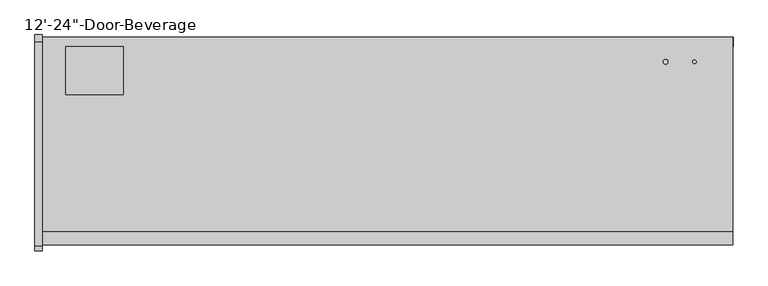
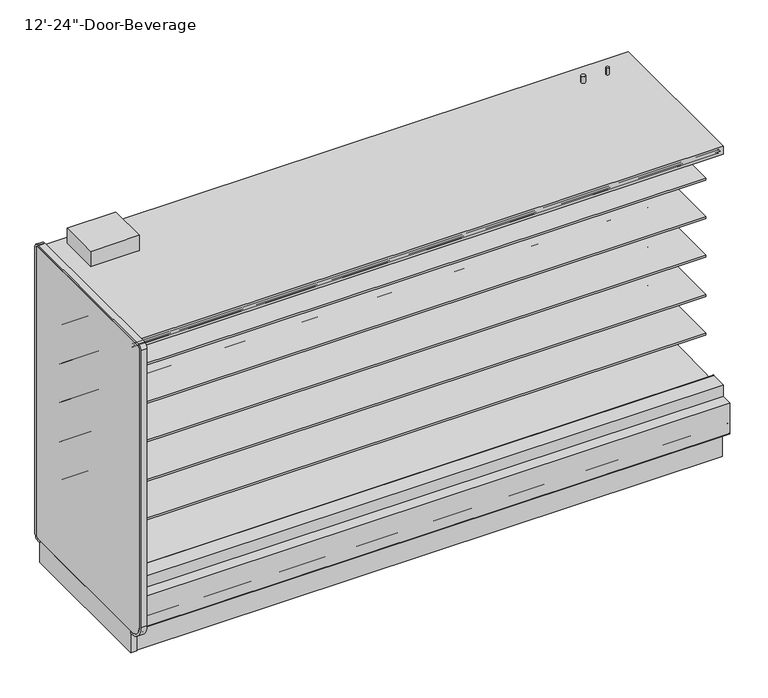
"""IFC4 building model written with IfcOpenShell, lengths in millimetres: proxy geometry."""

from ifc_helpers import new_model, si_unit, point, frame, frame_2d, origin, origin_with_axes, place, context, project, spatial, polyline, circle_curve, trimmed, segment, composite_curve, outline, extrude, faceted_brep, source, transform, mapped, element, save
from ifc_brep_helpers import plane_surface, revolved_surface, advanced_brep


def proxy_9be0f654(model_context):
    return source(origin(), model_context, "Body", "SolidModel", [
        extrude(outline(polyline([(-450.677044, 418.2554484), (-450.677044, 1911.8336138), (-349.0071273, 1911.8336138), (-349.0071273, 477.974025), (-399.1724764, 477.974025), (-399.1724764, 418.2554484), (-450.677044, 418.2554484)])), frame((3633.442754, 0.0, 0.0), z_axis=(1.0, 0.0, 0.0), x_axis=(0.0, 1.0, 0.0)), (0.0, 0.0, 1.0), 25.4),
        extrude(outline(polyline([(-450.677044, 418.2554484), (-450.677044, 1911.8336138), (-349.0071273, 1911.8336138), (-349.0071273, 477.974025), (-399.1724764, 477.974025), (-399.1724764, 418.2554484), (-450.677044, 418.2554484)])), frame((2439.642754, 0.0, 0.0), z_axis=(1.0, 0.0, 0.0), x_axis=(0.0, 1.0, 0.0)), (0.0, 0.0, 1.0), 25.4),
        extrude(outline(polyline([(3607.6325795, -332.5539022), (3607.6325795, -339.9912264), (3047.2450795, -339.9912264), (3047.2450795, -332.5539022), (3607.6325795, -332.5539022)])), frame((0.0, 0.0, 472.0341995), z_axis=(0.0, 0.0, 1.0), x_axis=(1.0, 0.0, 0.0)), (0.0, 0.0, 1.0), 1479.0767398),
        extrude(outline(polyline([(3051.2404285, -314.5912264), (3051.2404285, -322.0285506), (2492.4404285, -322.0285506), (2492.4404285, -314.5912264), (3051.2404285, -314.5912264)])), frame((0.0, 0.0, 472.0341995), z_axis=(0.0, 0.0, 1.0), x_axis=(1.0, 0.0, 0.0)), (0.0, 0.0, 1.0), 1479.0767398),
        faceted_brep([(2516.6367929, -339.9912264, 497.8180639), (2516.6367929, -349.0071273, 497.8180639), (3581.8487151, -349.0071273, 497.8180639), (3581.8487151, -339.9912264, 497.8180639), (2490.8529285, -332.5539022, 472.0341995), (2490.8529285, -339.9912264, 472.0341995), (3607.6325795, -339.9912264, 472.0341995), (3607.6325795, -332.5539022, 472.0341995), (2500.7809618, -322.0285506, 481.9622328), (2500.7809618, -332.5539022, 481.9622328), (3597.7045462, -332.5539022, 481.9622328), (3597.7045462, -322.0285506, 481.9622328), (2490.8529285, -314.5912264, 472.0341995), (2490.8529285, -322.0285506, 472.0341995), (3607.6325795, -322.0285506, 472.0341995), (3607.6325795, -314.5912264, 472.0341995), (2516.6367929, -298.2071273, 497.8180639), (2516.6367929, -314.5912264, 497.8180639), (3581.8487151, -314.5912264, 497.8180639), (3581.8487151, -298.2071273, 497.8180639), (2439.021377, -349.0071273, 420.202648), (2439.021377, -298.2071273, 420.202648), (3659.464131, -298.2071273, 420.202648), (3659.464131, -349.0071273, 420.202648), (3581.8487151, -349.0071273, 1925.3270748), (3581.8487151, -339.9912264, 1925.3270748), (3607.6325795, -339.9912264, 1951.1109393), (3607.6325795, -332.5539022, 1951.1109393), (3597.7045462, -332.5539022, 1941.1829059), (3597.7045462, -322.0285506, 1941.1829059), (3607.6325795, -322.0285506, 1951.1109393), (3607.6325795, -314.5912264, 1951.1109393), (3581.8487151, -314.5912264, 1925.3270748), (3581.8487151, -298.2071273, 1925.3270748), (3659.464131, -298.2071273, 2002.9424908), (3659.464131, -349.0071273, 2002.9424908), (2516.6367929, -349.0071273, 1925.3270748), (2516.6367929, -339.9912264, 1925.3270748), (2490.8529285, -339.9912264, 1951.1109393), (2490.8529285, -332.5539022, 1951.1109393), (2500.7809618, -332.5539022, 1941.1829059), (2500.7809618, -322.0285506, 1941.1829059), (2490.8529285, -322.0285506, 1951.1109393), (2490.8529285, -314.5912264, 1951.1109393), (2516.6367929, -314.5912264, 1925.3270748), (2516.6367929, -298.2071273, 1925.3270748), (2439.021377, -298.2071273, 2002.9424908), (2439.021377, -349.0071273, 2002.9424908)], [[[0, 1, 2, 3]], [[4, 5, 6, 7]], [[8, 9, 10, 11]], [[12, 13, 14, 15]], [[16, 17, 18, 19]], [[20, 21, 22, 23]], [[3, 2, 24, 25]], [[7, 6, 26, 27]], [[11, 10, 28, 29]], [[15, 14, 30, 31]], [[19, 18, 32, 33]], [[23, 22, 34, 35]], [[25, 24, 36, 37]], [[27, 26, 38, 39]], [[29, 28, 40, 41]], [[31, 30, 42, 43]], [[33, 32, 44, 45]], [[35, 34, 46, 47]], [[23, 35, 47, 20], [1, 36, 24, 2]], [[37, 36, 1, 0]], [[5, 38, 26, 6], [3, 25, 37, 0]], [[39, 38, 5, 4]], [[7, 27, 39, 4], [9, 40, 28, 10]], [[41, 40, 9, 8]], [[13, 42, 30, 14], [11, 29, 41, 8]], [[43, 42, 13, 12]], [[15, 31, 43, 12], [17, 44, 32, 18]], [[45, 44, 17, 16]], [[21, 46, 34, 22], [19, 33, 45, 16]], [[47, 46, 21, 20]]]),
        extrude(outline(polyline([(-450.677044, 418.2554484), (-450.677044, 1911.8336138), (-349.0071273, 1911.8336138), (-349.0071273, 477.974025), (-399.1724764, 477.974025), (-399.1724764, 418.2554484), (-450.677044, 418.2554484)])), frame((1192.557246, 0.0, 0.0), z_axis=(1.0, 0.0, 0.0), x_axis=(0.0, 1.0, 0.0)), (0.0, 0.0, 1.0), 25.4),
        extrude(outline(polyline([(-450.677044, 418.2554484), (-450.677044, 1911.8336138), (-349.0071273, 1911.8336138), (-349.0071273, 477.974025), (-399.1724764, 477.974025), (-399.1724764, 418.2554484), (-450.677044, 418.2554484)])), frame((-1.242754, 0.0, 0.0), z_axis=(1.0, 0.0, 0.0), x_axis=(0.0, 1.0, 0.0)), (0.0, 0.0, 1.0), 25.4),
        extrude(outline(polyline([(1166.7470715, -332.5539022), (1166.7470715, -339.9912264), (606.3595715, -339.9912264), (606.3595715, -332.5539022), (1166.7470715, -332.5539022)])), frame((0.0, 0.0, 472.0341995), z_axis=(0.0, 0.0, 1.0), x_axis=(1.0, 0.0, 0.0)), (0.0, 0.0, 1.0), 1479.0767398),
        extrude(outline(polyline([(610.3549205, -314.5912264), (610.3549205, -322.0285506), (51.5549205, -322.0285506), (51.5549205, -314.5912264), (610.3549205, -314.5912264)])), frame((0.0, 0.0, 472.0341995), z_axis=(0.0, 0.0, 1.0), x_axis=(1.0, 0.0, 0.0)), (0.0, 0.0, 1.0), 1479.0767398),
        faceted_brep([(75.7512849, -339.9912264, 497.8180639), (75.7512849, -349.0071273, 497.8180639), (1140.9632071, -349.0071273, 497.8180639), (1140.9632071, -339.9912264, 497.8180639), (49.9674205, -332.5539022, 472.0341995), (49.9674205, -339.9912264, 472.0341995), (1166.7470715, -339.9912264, 472.0341995), (1166.7470715, -332.5539022, 472.0341995), (59.8954538, -322.0285506, 481.9622328), (59.8954538, -332.5539022, 481.9622328), (1156.8190382, -332.5539022, 481.9622328), (1156.8190382, -322.0285506, 481.9622328), (49.9674205, -314.5912264, 472.0341995), (49.9674205, -322.0285506, 472.0341995), (1166.7470715, -322.0285506, 472.0341995), (1166.7470715, -314.5912264, 472.0341995), (75.7512849, -298.2071273, 497.8180639), (75.7512849, -314.5912264, 497.8180639), (1140.9632071, -314.5912264, 497.8180639), (1140.9632071, -298.2071273, 497.8180639), (-1.864131, -349.0071273, 420.202648), (-1.864131, -298.2071273, 420.202648), (1218.578623, -298.2071273, 420.202648), (1218.578623, -349.0071273, 420.202648), (1140.9632071, -349.0071273, 1925.3270748), (1140.9632071, -339.9912264, 1925.3270748), (1166.7470715, -339.9912264, 1951.1109393), (1166.7470715, -332.5539022, 1951.1109393), (1156.8190382, -332.5539022, 1941.1829059), (1156.8190382, -322.0285506, 1941.1829059), (1166.7470715, -322.0285506, 1951.1109393), (1166.7470715, -314.5912264, 1951.1109393), (1140.9632071, -314.5912264, 1925.3270748), (1140.9632071, -298.2071273, 1925.3270748), (1218.578623, -298.2071273, 2002.9424908), (1218.578623, -349.0071273, 2002.9424908), (75.7512849, -349.0071273, 1925.3270748), (75.7512849, -339.9912264, 1925.3270748), (49.9674205, -339.9912264, 1951.1109393), (49.9674205, -332.5539022, 1951.1109393), (59.8954538, -332.5539022, 1941.1829059), (59.8954538, -322.0285506, 1941.1829059), (49.9674205, -322.0285506, 1951.1109393), (49.9674205, -314.5912264, 1951.1109393), (75.7512849, -314.5912264, 1925.3270748), (75.7512849, -298.2071273, 1925.3270748), (-1.864131, -298.2071273, 2002.9424908), (-1.864131, -349.0071273, 2002.9424908)], [[[0, 1, 2, 3]], [[4, 5, 6, 7]], [[8, 9, 10, 11]], [[12, 13, 14, 15]], [[16, 17, 18, 19]], [[20, 21, 22, 23]], [[3, 2, 24, 25]], [[7, 6, 26, 27]], [[11, 10, 28, 29]], [[15, 14, 30, 31]], [[19, 18, 32, 33]], [[23, 22, 34, 35]], [[25, 24, 36, 37]], [[27, 26, 38, 39]], [[29, 28, 40, 41]], [[31, 30, 42, 43]], [[33, 32, 44, 45]], [[35, 34, 46, 47]], [[23, 35, 47, 20], [1, 36, 24, 2]], [[37, 36, 1, 0]], [[5, 38, 26, 6], [3, 25, 37, 0]], [[39, 38, 5, 4]], [[7, 27, 39, 4], [9, 40, 28, 10]], [[41, 40, 9, 8]], [[13, 42, 30, 14], [11, 29, 41, 8]], [[43, 42, 13, 12]], [[15, 31, 43, 12], [17, 44, 32, 18]], [[45, 44, 17, 16]], [[21, 46, 34, 22], [19, 33, 45, 16]], [[47, 46, 21, 20]]]),
        extrude(outline(polyline([(-450.677044, 418.2554484), (-450.677044, 1911.8336138), (-349.0071273, 1911.8336138), (-349.0071273, 477.974025), (-399.1724764, 477.974025), (-399.1724764, 418.2554484), (-450.677044, 418.2554484)])), frame((2413.0, 0.0, 0.0), z_axis=(1.0, 0.0, 0.0), x_axis=(0.0, 1.0, 0.0)), (0.0, 0.0, 1.0), 25.4),
        extrude(outline(polyline([(-450.677044, 418.2554484), (-450.677044, 1911.8336138), (-349.0071273, 1911.8336138), (-349.0071273, 477.974025), (-399.1724764, 477.974025), (-399.1724764, 418.2554484), (-450.677044, 418.2554484)])), frame((1219.2, 0.0, 0.0), z_axis=(1.0, 0.0, 0.0), x_axis=(0.0, 1.0, 0.0)), (0.0, 0.0, 1.0), 25.4),
        extrude(outline(polyline([(2387.1898255, -332.5539022), (2387.1898255, -339.9912264), (1826.8023255, -339.9912264), (1826.8023255, -332.5539022), (2387.1898255, -332.5539022)])), frame((0.0, 0.0, 472.0341995), z_axis=(0.0, 0.0, 1.0), x_axis=(1.0, 0.0, 0.0)), (0.0, 0.0, 1.0), 1479.0767398),
        extrude(outline(polyline([(1830.7976745, -314.5912264), (1830.7976745, -322.0285506), (1271.9976745, -322.0285506), (1271.9976745, -314.5912264), (1830.7976745, -314.5912264)])), frame((0.0, 0.0, 472.0341995), z_axis=(0.0, 0.0, 1.0), x_axis=(1.0, 0.0, 0.0)), (0.0, 0.0, 1.0), 1479.0767398),
        faceted_brep([(1296.1940389, -339.9912264, 497.8180639), (1296.1940389, -349.0071273, 497.8180639), (2361.4059611, -349.0071273, 497.8180639), (2361.4059611, -339.9912264, 497.8180639), (1270.4101745, -332.5539022, 472.0341995), (1270.4101745, -339.9912264, 472.0341995), (2387.1898255, -339.9912264, 472.0341995), (2387.1898255, -332.5539022, 472.0341995), (1280.3382078, -322.0285506, 481.9622328), (1280.3382078, -332.5539022, 481.9622328), (2377.2617922, -332.5539022, 481.9622328), (2377.2617922, -322.0285506, 481.9622328), (1270.4101745, -314.5912264, 472.0341995), (1270.4101745, -322.0285506, 472.0341995), (2387.1898255, -322.0285506, 472.0341995), (2387.1898255, -314.5912264, 472.0341995), (1296.1940389, -298.2071273, 497.8180639), (1296.1940389, -314.5912264, 497.8180639), (2361.4059611, -314.5912264, 497.8180639), (2361.4059611, -298.2071273, 497.8180639), (1218.578623, -349.0071273, 420.202648), (1218.578623, -298.2071273, 420.202648), (2439.021377, -298.2071273, 420.202648), (2439.021377, -349.0071273, 420.202648), (2361.4059611, -349.0071273, 1925.3270748), (2361.4059611, -339.9912264, 1925.3270748), (2387.1898255, -339.9912264, 1951.1109393), (2387.1898255, -332.5539022, 1951.1109393), (2377.2617922, -332.5539022, 1941.1829059), (2377.2617922, -322.0285506, 1941.1829059), (2387.1898255, -322.0285506, 1951.1109393), (2387.1898255, -314.5912264, 1951.1109393), (2361.4059611, -314.5912264, 1925.3270748), (2361.4059611, -298.2071273, 1925.3270748), (2439.021377, -298.2071273, 2002.9424908), (2439.021377, -349.0071273, 2002.9424908), (1296.1940389, -349.0071273, 1925.3270748), (1296.1940389, -339.9912264, 1925.3270748), (1270.4101745, -339.9912264, 1951.1109393), (1270.4101745, -332.5539022, 1951.1109393), (1280.3382078, -332.5539022, 1941.1829059), (1280.3382078, -322.0285506, 1941.1829059), (1270.4101745, -322.0285506, 1951.1109393), (1270.4101745, -314.5912264, 1951.1109393), (1296.1940389, -314.5912264, 1925.3270748), (1296.1940389, -298.2071273, 1925.3270748), (1218.578623, -298.2071273, 2002.9424908), (1218.578623, -349.0071273, 2002.9424908)], [[[0, 1, 2, 3]], [[4, 5, 6, 7]], [[8, 9, 10, 11]], [[12, 13, 14, 15]], [[16, 17, 18, 19]], [[20, 21, 22, 23]], [[3, 2, 24, 25]], [[7, 6, 26, 27]], [[11, 10, 28, 29]], [[15, 14, 30, 31]], [[19, 18, 32, 33]], [[23, 22, 34, 35]], [[25, 24, 36, 37]], [[27, 26, 38, 39]], [[29, 28, 40, 41]], [[31, 30, 42, 43]], [[33, 32, 44, 45]], [[35, 34, 46, 47]], [[23, 35, 47, 20], [1, 36, 24, 2]], [[37, 36, 1, 0]], [[5, 38, 26, 6], [3, 25, 37, 0]], [[39, 38, 5, 4]], [[7, 27, 39, 4], [9, 40, 28, 10]], [[41, 40, 9, 8]], [[13, 42, 30, 14], [11, 29, 41, 8]], [[43, 42, 13, 12]], [[15, 31, 43, 12], [17, 44, 32, 18]], [[45, 44, 17, 16]], [[21, 46, 34, 22], [19, 33, 45, 16]], [[47, 46, 21, 20]]]),
        extrude(outline(composite_curve([segment(polyline([(-450.677044, 1628.6799003), (-460.4297959, 1628.4899734)]), True, "CONTINUOUS"), segment(trimmed(circle_curve(frame_2d((-460.9177416, 1653.5460013)), 25.0607786), [point((-460.4297959, 1628.4899734))], [point((-476.8250642, 1634.1810921))], False, "CARTESIAN"), True, "CONTINUOUS"), segment(polyline([(-476.8250642, 1634.1810921), (-515.0467648, 1665.2643606)]), True, "CONTINUOUS"), segment(trimmed(circle_curve(frame_2d((-555.1112379, 1615.9988758)), 63.5), [point((-515.0467648, 1665.2643606))], [point((-548.2582285, 1679.1279996))], True, "CARTESIAN"), True, "CONTINUOUS"), segment(polyline([(-548.2582285, 1679.1279996), (-1024.1909018, 1708.3968492), (-1024.1909018, 1716.0228161), (-1136.477044, 1716.0228161), (-1136.477044, 1729.5165661), (-450.677044, 1729.5165661), (-450.677044, 1628.6799003)]), True, "CONTINUOUS")], self_intersect=False)), frame((0.0, 0.0, 0.0), z_axis=(1.0, 0.0, 0.0), x_axis=(0.0, 1.0, 0.0)), (0.0, 0.0, 1.0), 3657.6),
        extrude(outline(composite_curve([segment(polyline([(-450.677044, 606.808004), (-461.7849362, 606.5916869)]), True, "CONTINUOUS"), segment(trimmed(circle_curve(frame_2d((-462.2728819, 631.6477147)), 25.0607786), [point((-461.7849362, 606.5916869))], [point((-478.1802045, 612.2828055))], False, "CARTESIAN"), True, "CONTINUOUS"), segment(polyline([(-478.1802045, 612.2828055), (-516.4019051, 643.3660741)]), True, "CONTINUOUS"), segment(trimmed(circle_curve(frame_2d((-556.4663782, 594.1005893)), 63.5), [point((-516.4019051, 643.3660741))], [point((-549.6133688, 657.229713))], True, "CARTESIAN"), True, "CONTINUOUS"), segment(polyline([(-549.6133688, 657.229713), (-1025.5460421, 686.4985627), (-1025.5460421, 694.1245295), (-1136.477044, 694.1245295), (-1136.477044, 707.6182795), (-450.677044, 707.6182795), (-450.677044, 606.808004)]), True, "CONTINUOUS")], self_intersect=False)), frame((0.0, 0.0, 0.0), z_axis=(1.0, 0.0, 0.0), x_axis=(0.0, 1.0, 0.0)), (0.0, 0.0, 1.0), 3657.6),
        extrude(outline(composite_curve([segment(polyline([(-450.677044, 860.808004), (-461.7849362, 860.5916869)]), True, "CONTINUOUS"), segment(trimmed(circle_curve(frame_2d((-462.2728819, 885.6477147)), 25.0607786), [point((-461.7849362, 860.5916869))], [point((-478.1802045, 866.2828055))], False, "CARTESIAN"), True, "CONTINUOUS"), segment(polyline([(-478.1802045, 866.2828055), (-516.4019051, 897.3660741)]), True, "CONTINUOUS"), segment(trimmed(circle_curve(frame_2d((-556.4663782, 848.1005893)), 63.5), [point((-516.4019051, 897.3660741))], [point((-549.6133688, 911.229713))], True, "CARTESIAN"), True, "CONTINUOUS"), segment(polyline([(-549.6133688, 911.229713), (-1025.5460421, 940.4985627), (-1025.5460421, 948.1245295), (-1136.477044, 948.1245295), (-1136.477044, 961.6182795), (-450.677044, 961.6182795), (-450.677044, 860.808004)]), True, "CONTINUOUS")], self_intersect=False)), frame((0.0, 0.0, 0.0), z_axis=(1.0, 0.0, 0.0), x_axis=(0.0, 1.0, 0.0)), (0.0, 0.0, 1.0), 3657.6),
        extrude(outline(composite_curve([segment(polyline([(-450.677044, 1121.158004), (-461.7849362, 1120.9416869)]), True, "CONTINUOUS"), segment(trimmed(circle_curve(frame_2d((-462.2728819, 1145.9977147)), 25.0607786), [point((-461.7849362, 1120.9416869))], [point((-478.1802045, 1126.6328055))], False, "CARTESIAN"), True, "CONTINUOUS"), segment(polyline([(-478.1802045, 1126.6328055), (-516.4019051, 1157.7160741)]), True, "CONTINUOUS"), segment(trimmed(circle_curve(frame_2d((-556.4663782, 1108.4505893)), 63.5), [point((-516.4019051, 1157.7160741))], [point((-549.6133688, 1171.579713))], True, "CARTESIAN"), True, "CONTINUOUS"), segment(polyline([(-549.6133688, 1171.579713), (-1025.5460421, 1200.8485627), (-1025.5460421, 1208.4745295), (-1136.477044, 1208.4745295), (-1136.477044, 1221.9682795), (-450.677044, 1221.9682795), (-450.677044, 1121.158004)]), True, "CONTINUOUS")], self_intersect=False)), frame((0.0, 0.0, 0.0), z_axis=(1.0, 0.0, 0.0), x_axis=(0.0, 1.0, 0.0)), (0.0, 0.0, 1.0), 3657.6),
        extrude(outline(composite_curve([segment(polyline([(-450.677044, 1375.158004), (-461.7849362, 1374.9416869)]), True, "CONTINUOUS"), segment(trimmed(circle_curve(frame_2d((-462.2728819, 1399.9977147)), 25.0607786), [point((-461.7849362, 1374.9416869))], [point((-478.1802045, 1380.6328055))], False, "CARTESIAN"), True, "CONTINUOUS"), segment(polyline([(-478.1802045, 1380.6328055), (-516.4019051, 1411.7160741)]), True, "CONTINUOUS"), segment(trimmed(circle_curve(frame_2d((-556.4663782, 1362.4505893)), 63.5), [point((-516.4019051, 1411.7160741))], [point((-549.6133688, 1425.579713))], True, "CARTESIAN"), True, "CONTINUOUS"), segment(polyline([(-549.6133688, 1425.579713), (-1025.5460421, 1454.8485627), (-1025.5460421, 1462.4745295), (-1136.477044, 1462.4745295), (-1136.477044, 1475.9682795), (-450.677044, 1475.9682795), (-450.677044, 1375.158004)]), True, "CONTINUOUS")], self_intersect=False)), frame((0.0, 0.0, 0.0), z_axis=(1.0, 0.0, 0.0), x_axis=(0.0, 1.0, 0.0)), (0.0, 0.0, 1.0), 3657.6),
        extrude(outline(polyline([(0.0, -76.1999999), (0.0, 0.0), (3657.6, 0.0), (3657.6, -76.1999999), (0.0, -76.1999999)])), frame((3657.6, -1261.1580888, 1976.4637108), z_axis=(0.0, 0.12186934340514825, 0.992546151641322), x_axis=(-1.0, 0.0, 0.0)), (0.0, 0.0, 1.0), 12.7),
        extrude(outline(polyline([(-1304.2914467, 0.0), (-1317.3821273, 0.0), (-1317.3821273, 203.9791746), (-1304.2914467, 192.9947894), (-1304.2914467, 0.0)])), frame((0.0, 0.0, 0.0), z_axis=(1.0, 0.0, 0.0), x_axis=(0.0, 1.0, 0.0)), (0.0, 0.0, 1.0), 3657.6),
        advanced_brep(
        [(3657.6, -349.0071273, 130.5306), (3657.6, -349.0071273, 2002.9424908), (3657.6, -298.2071273, 2002.9424908), (3657.6, -298.2071273, 2057.4), (3657.6, -1328.759197, 2057.4), (3657.6, -1328.759197, 2005.9326079), (3657.6, -399.1724764, 2005.9326079), (3657.6, -399.1724764, 360.5272264), (3657.6, -539.0439073, 214.6079754), (3657.6, -995.8281408, 195.2666415), (3657.6, -1047.2594341, 157.9054484), (3657.6, -1114.0496149, 157.9054484), (3657.6, -1172.185644, 190.034038), (3657.6, -1328.4651974, 339.4494287), (3657.6, -1328.4651974, 393.4200242), (3657.6, -1380.3487273, 393.4200242), (3657.6, -1380.3487273, 256.8144254), (3657.6, -1229.8495247, 130.5306), (0.0, -349.0071273, 130.5306), (0.0, -1229.8495247, 130.5306), (0.0, -1380.3487273, 256.8144254), (0.0, -1380.3487273, 393.4200242), (0.0, -1328.4651974, 393.4200242), (0.0, -1328.4651974, 339.4494287), (0.0, -1172.185644, 190.034038), (0.0, -1114.0496149, 157.9054484), (0.0, -1047.2594341, 157.9054484), (0.0, -995.8281408, 195.2666415), (0.0, -539.0439073, 214.6079754), (0.0, -399.1724764, 360.5272264), (0.0, -399.1724764, 2005.9326079), (0.0, -1328.759197, 2005.9326079), (0.0, -1328.759197, 2057.4), (0.0, -298.2071273, 2057.4), (0.0, -298.2071273, 2002.9424908), (0.0, -349.0071273, 2002.9424908), (3556.0, -349.0071273, 303.2125), (3556.0, -349.0071273, 404.8125), (3556.0, -390.6253644, 303.2125), (3556.0, -390.6253644, 404.8125)],
        [
            (0, 1),
            (1, 2),
            (2, 3),
            (3, 4),
            (4, 5),
            (5, 6),
            (6, 7),
            (7, 8, circle_curve(frame((3657.6, -545.2224764, 360.5272264), z_axis=(-1.0, 0.0, 0.0), x_axis=(0.0, 1.0, 0.0)), 146.05)),
            (8, 9),
            (9, 10),
            (10, 11),
            (11, 12),
            (12, 13, circle_curve(frame((3657.6, -1177.4681139, 340.9461144), z_axis=(-1.0, 0.0, 0.0), x_axis=(0.0, 1.0, 0.0)), 151.0045009)),
            (13, 14),
            (14, 15),
            (15, 16),
            (16, 17),
            (17, 0),
            (18, 19),
            (19, 20),
            (20, 21),
            (21, 22),
            (22, 23),
            (23, 24, circle_curve(frame((0.0, -1177.4681139, 340.9461144), z_axis=(1.0, 0.0, 0.0), x_axis=(0.0, 1.0, 0.0)), 151.0045009)),
            (24, 25),
            (25, 26),
            (26, 27),
            (27, 28),
            (28, 29, circle_curve(frame((0.0, -545.2224764, 360.5272264), z_axis=(1.0, 0.0, 0.0), x_axis=(0.0, 1.0, 0.0)), 146.05)),
            (29, 30),
            (30, 31),
            (31, 32),
            (32, 33),
            (33, 34),
            (34, 35),
            (35, 18),
            (0, 18),
            (35, 1),
            (36, 37, circle_curve(frame((3556.0, -349.0071273, 354.0125), z_axis=(0.0, -1.0, 0.0), x_axis=(0.0, 0.0, 1.0)), 50.8)),
            (37, 36, circle_curve(frame((3556.0, -349.0071273, 354.0125), z_axis=(0.0, -1.0, 0.0), x_axis=(0.0, 0.0, 1.0)), 50.8)),
            (6, 30),
            (29, 7),
            (13, 23),
            (22, 14),
            (21, 15),
            (20, 16),
            (19, 17),
            (38, 39, circle_curve(frame((3556.0, -390.6253644, 354.0125), z_axis=(0.0, 1.0, 0.0), x_axis=(0.0, 0.0, 1.0)), 50.8)),
            (39, 38, circle_curve(frame((3556.0, -390.6253644, 354.0125), z_axis=(0.0, 1.0, 0.0), x_axis=(0.0, 0.0, 1.0)), 50.8)),
            (39, 37),
            (36, 38),
            (8, 28),
            (27, 9),
            (26, 10),
            (25, 11),
            (24, 12),
            (34, 2),
            (33, 3),
            (32, 4),
            (31, 5),
        ],
        [
            plane_surface(frame((3657.6, -349.0071273, 2052.7067079), z_axis=(1.0, 0.0, 0.0), x_axis=(0.0, 0.0, 1.0))),
            plane_surface(frame((0.0, -349.0071273, 2052.7067079), z_axis=(-1.0, 0.0, 0.0), x_axis=(0.0, 0.0, -1.0))),
            plane_surface(frame((3657.6, -349.0071273, 130.5306), z_axis=(0.0, 1.0, 0.0), x_axis=(-1.0, 0.0, 0.0))),
            plane_surface(frame((3657.6, -399.1724764, 2005.9326079), z_axis=(0.0, -1.0, 0.0), x_axis=(-1.0, 0.0, 0.0))),
            plane_surface(frame((3657.6, -1328.4651974, 339.4494287), z_axis=(0.0, 1.0, 0.0), x_axis=(-1.0, 0.0, 0.0))),
            plane_surface(frame((3657.6, -1328.4651974, 393.4200242), z_axis=(0.0, 0.0, 1.0), x_axis=(-1.0, 0.0, 0.0))),
            plane_surface(frame((3657.6, -1380.3487273, 393.4200242), z_axis=(0.0, -1.0, 0.0), x_axis=(-1.0, 0.0, 0.0))),
            plane_surface(frame((3657.6, -1380.3487273, 256.8144254), z_axis=(0.0, -0.6427876096877219, -0.7660444431179858), x_axis=(-1.0, 0.0, 0.0))),
            plane_surface(frame((3657.6, -1229.8495247, 130.5306), z_axis=(0.0, 0.0, -1.0), x_axis=(-1.0, 0.0, 0.0))),
            plane_surface(frame((3556.0, -390.6253644, 404.8125), z_axis=(0.0, 1.0, 0.0), x_axis=(-1.0, 0.0, 0.0))),
            revolved_surface(polyline([(3556.0, -390.6253644, 404.8125), (3556.0, -349.0071273, 404.8125)]), (3556.0, -349.0071273, 354.0125), (0.0, -1.0, 0.0)),
            plane_surface(frame((3657.6, -539.0439073, 214.6079754), z_axis=(0.0, -0.042304478685116616, 0.9991047648185752), x_axis=(-1.0, 0.0, 0.0))),
            plane_surface(frame((3657.6, -995.8281408, 195.2666415), z_axis=(0.0, -0.5877252382161491, 0.8090605937528851), x_axis=(-1.0, 0.0, 0.0))),
            plane_surface(frame((3657.6, -1047.2594341, 157.9054484), z_axis=(0.0, 0.0, 1.0), x_axis=(-1.0, 0.0, 0.0))),
            plane_surface(frame((3657.6, -1114.0496149, 157.9054484), z_axis=(0.0, 0.48369515293242177, 0.8752365389023022), x_axis=(-1.0, 0.0, 0.0))),
            revolved_surface(polyline([(0.0, -1026.463613, 340.9461144), (3657.6, -1026.463613, 340.9461144)]), (0.0, -1177.4681139, 340.9461144), (-1.0, 0.0, 0.0)),
            revolved_surface(polyline([(0.0, -399.1724764, 360.5272264), (3657.6, -399.1724764, 360.5272264)]), (0.0, -545.2224764, 360.5272264), (-1.0, 0.0, 0.0)),
            plane_surface(frame((3657.6, -349.0071273, 2002.9424908), z_axis=(0.0, 0.0, -1.0), x_axis=(-1.0, 0.0, 0.0))),
            plane_surface(frame((3657.6, -298.2071273, 2002.9424908), z_axis=(0.0, 1.0, 0.0), x_axis=(-1.0, 0.0, 0.0))),
            plane_surface(frame((3657.6, -298.2071273, 2057.4), z_axis=(0.0, 0.0, 1.0), x_axis=(-1.0, 0.0, 0.0))),
            plane_surface(frame((3657.6, -1328.759197, 2057.4), z_axis=(0.0, -1.0, 0.0), x_axis=(-1.0, 0.0, 0.0))),
            plane_surface(frame((3657.6, -1328.759197, 2005.9326079), z_axis=(0.0, 0.0, -1.0), x_axis=(-1.0, 0.0, 0.0))),
        ],
        [
            (0, [[1, 2, 3, 4, 5, 6, 7, 8, 9, 10, 11, 12, 13, 14, 15, 16, 17, 18]]),
            (1, [[19, 20, 21, 22, 23, 24, 25, 26, 27, 28, 29, 30, 31, 32, 33, 34, 35, 36]]),
            (2, [[-1, 37, -36, 38], [39, 40]]),
            (3, [[-7, 41, -30, 42]]),
            (4, [[-14, 43, -23, 44]]),
            (5, [[-15, -44, -22, 45]]),
            (6, [[-16, -45, -21, 46]]),
            (7, [[-17, -46, -20, 47]]),
            (8, [[-18, -47, -19, -37]]),
            (9, [[48, 49]]),
            (10, [[-49, 50, -39, 51]]),
            (10, [[-48, -51, -40, -50]]),
            (11, [[-9, 52, -28, 53]]),
            (12, [[-10, -53, -27, 54]]),
            (13, [[-11, -54, -26, 55]]),
            (14, [[-12, -55, -25, 56]]),
            (15, [[-13, -56, -24, -43]]),
            (16, [[-8, -42, -29, -52]]),
            (17, [[-2, -38, -35, 57]]),
            (18, [[-3, -57, -34, 58]]),
            (19, [[-4, -58, -33, 59]]),
            (20, [[-5, -59, -32, 60]]),
            (21, [[-6, -60, -31, -41]]),
        ],
    ),
        extrude(outline(composite_curve([segment(trimmed(circle_curve(frame_2d((-1391.7731072, 202.8201131)), 6.35), [point((-1388.5989181, 197.3203837))], [point((-1398.1231072, 202.8201131))], False, "CARTESIAN"), True, "CONTINUOUS"), segment(polyline([(-1398.1231072, 202.8201131), (-1398.1231072, 404.6728), (-1328.4651974, 404.6728), (-1328.4651974, 393.4200242), (-1380.3487273, 393.4200242), (-1380.3487273, 257.4097533), (-1341.2824524, 224.6292565), (-1388.5989181, 197.3203837)]), True, "CONTINUOUS")], self_intersect=False)), frame((0.0, 0.0, 0.0), z_axis=(1.0, 0.0, 0.0), x_axis=(0.0, 1.0, 0.0)), (0.0, 0.0, 1.0), 3657.6),
        extrude(outline(composite_curve([segment(polyline([(-399.1724764, 2005.9326079), (-399.1724764, 360.3927828)]), True, "CONTINUOUS"), segment(trimmed(circle_curve(frame_2d((-545.2224764, 360.3927828)), 146.05), [point((-399.1724764, 360.3927828))], [point((-545.3063923, 214.3428069))], False, "CARTESIAN"), True, "CONTINUOUS"), segment(polyline([(-545.3063923, 214.3428069), (-995.8281408, 195.2666415), (-1047.2594341, 157.9054484), (-1114.0496149, 157.9054484), (-1172.185644, 190.034038)]), True, "CONTINUOUS"), segment(trimmed(circle_curve(frame_2d((-1177.4681139, 340.9461144)), 151.0045009), [point((-1172.185644, 190.034038))], [point((-1328.3349191, 334.4989131))], False, "CARTESIAN"), True, "CONTINUOUS"), segment(polyline([(-1328.3349191, 334.4989131), (-1328.3349191, 480.8728), (-1224.259444, 480.8728)]), True, "CONTINUOUS"), segment(trimmed(circle_curve(frame_2d((-1224.259444, 478.8154)), 2.0574), [point((-1224.259444, 480.8728))], [point((-1222.202044, 478.8154))], False, "CARTESIAN"), True, "CONTINUOUS"), segment(polyline([(-1222.202044, 478.8154), (-1222.202044, 433.9810068), (-450.677044, 455.7117539), (-450.677044, 1980.4818079), (-1183.6940906, 1980.4818079), (-1183.6940906, 1981.3471245), (-1261.2201873, 1990.8661322), (-1261.2201873, 1979.0340079)]), True, "CONTINUOUS"), segment(trimmed(circle_curve(frame_2d((-1263.7601873, 1979.0340079)), 2.54), [point((-1261.2201873, 1979.0340079))], [point((-1263.7601873, 1976.4940079))], False, "CARTESIAN"), True, "CONTINUOUS"), segment(polyline([(-1263.7601873, 1976.4940079), (-1272.9803873, 1976.4940079)]), True, "CONTINUOUS"), segment(trimmed(circle_curve(frame_2d((-1272.9803873, 1979.0340079)), 2.54), [point((-1272.9803873, 1976.4940079))], [point((-1275.5203873, 1979.0340079))], False, "CARTESIAN"), True, "CONTINUOUS"), segment(polyline([(-1275.5203873, 1979.0340079), (-1275.5203873, 1999.3540079)]), True, "CONTINUOUS"), segment(trimmed(circle_curve(frame_2d((-1278.0603873, 1999.3540079)), 2.54), [point((-1275.5203873, 1999.3540079))], [point((-1278.0603873, 2001.8940079))], True, "CARTESIAN"), True, "CONTINUOUS"), segment(polyline([(-1278.0603873, 2001.8940079), (-1292.0303873, 2001.8940079)]), True, "CONTINUOUS"), segment(trimmed(circle_curve(frame_2d((-1292.0303873, 2004.4340079)), 2.54), [point((-1292.0303873, 2001.8940079))], [point((-1294.5703873, 2004.4340079))], False, "CARTESIAN"), True, "CONTINUOUS"), segment(polyline([(-1294.5703873, 2004.4340079), (-1294.5703873, 2005.9326079), (-399.1724764, 2005.9326079)]), True, "CONTINUOUS")], self_intersect=False)), frame((0.0, 0.0, 0.0), z_axis=(1.0, 0.0, 0.0), x_axis=(0.0, 1.0, 0.0)), (0.0, 0.0, 1.0), 3657.6),
        extrude(outline(polyline([(457.2, -1234.8321273), (457.2, -1298.744384), (254.0, -1298.744384), (254.0, -1234.8321273), (457.2, -1234.8321273)])), frame((0.0, 0.0, 44.45), z_axis=(0.0, 0.0, 1.0), x_axis=(1.0, 0.0, 0.0)), (0.0, 0.0, 1.0), 6.35),
        advanced_brep(
        [(3657.6, -1317.3821273, 203.9791746), (3657.6, -1317.3821273, 0.0), (3657.6, -1155.4571273, 0.0), (3657.6, -1155.4571273, 130.5306), (3657.6, -1229.8495247, 130.5306), (0.0, -1317.3821273, 203.9791746), (0.0, -1229.8495247, 130.5306), (0.0, -1155.4571273, 130.5306), (0.0, -1155.4571273, 0.0), (0.0, -1317.3821273, 0.0), (1786.7986979, -1155.4571273, 0.0), (1870.8013021, -1155.4571273, 0.0), (3392.9434095, -1155.4571273, 0.0), (3480.9315905, -1155.4571273, 0.0), (466.3154811, -1304.2914467, 0.0), (466.3154811, -1229.3597182, 0.0), (245.6409893, -1229.3597182, 0.0), (245.6409893, -1304.2914467, 0.0), (3480.9315905, -1155.4571273, 127.0), (3392.9434095, -1155.4571273, 127.0), (1870.8013021, -1155.4571273, 127.0), (1786.7986979, -1155.4571273, 127.0), (466.3154811, -1304.2914467, 50.8), (466.3154811, -1229.3597182, 50.8), (245.6409893, -1229.3597182, 50.8), (245.6409893, -1304.2914467, 50.8)],
        [
            (0, 1),
            (1, 2),
            (2, 3),
            (3, 4),
            (4, 0),
            (5, 6),
            (6, 7),
            (7, 8),
            (8, 9),
            (9, 5),
            (0, 5),
            (9, 1),
            (8, 10),
            (10, 11, circle_curve(frame((1828.8, -1126.8821273, 0.0), z_axis=(0.0, 0.0, 1.0), x_axis=(1.0, 0.0, 0.0)), 50.8)),
            (11, 12),
            (12, 13, circle_curve(frame((3436.9375, -1130.0571273, 0.0), z_axis=(0.0, 0.0, 1.0), x_axis=(1.0, 0.0, 0.0)), 50.8)),
            (13, 2),
            (14, 15),
            (15, 16),
            (16, 17),
            (17, 14),
            (13, 18),
            (18, 19),
            (19, 12),
            (11, 20),
            (20, 21),
            (21, 10),
            (7, 3),
            (6, 4),
            (14, 22),
            (22, 23),
            (23, 15),
            (16, 24),
            (24, 25),
            (25, 17),
            (23, 24),
            (22, 25),
            (20, 21, circle_curve(frame((1828.8, -1126.8821273, 127.0), z_axis=(0.0, 0.0, -1.0), x_axis=(1.0, 0.0, 0.0)), 50.8)),
            (18, 19, circle_curve(frame((3436.9375, -1130.0571273, 127.0), z_axis=(0.0, 0.0, -1.0), x_axis=(1.0, 0.0, 0.0)), 50.8)),
        ],
        [
            plane_surface(frame((3657.6, -1317.3821273, 0.0), z_axis=(1.0, 0.0, 0.0), x_axis=(0.0, 0.0, -1.0))),
            plane_surface(frame((0.0, -1317.3821273, 0.0), z_axis=(-1.0, 0.0, 0.0), x_axis=(0.0, 0.0, 1.0))),
            plane_surface(frame((3657.6, -1317.3821273, 203.9791746), z_axis=(0.0, -1.0, 0.0), x_axis=(-1.0, 0.0, 0.0))),
            plane_surface(frame((3657.6, -1317.3821273, 0.0), z_axis=(0.0, 0.0, -1.0), x_axis=(-1.0, 0.0, 0.0))),
            plane_surface(frame((3657.6, -1155.4571273, 0.0), z_axis=(0.0, 1.0, 0.0), x_axis=(-1.0, 0.0, 0.0))),
            plane_surface(frame((3657.6, -1155.4571273, 130.5306), z_axis=(0.0, 0.0, 1.0), x_axis=(-1.0, 0.0, 0.0))),
            plane_surface(frame((3657.6, -1229.8495247, 130.5306), z_axis=(0.0, 0.6427876096877104, 0.7660444431179955), x_axis=(-1.0, 0.0, 0.0))),
            plane_surface(frame((466.3154811, -1229.3597182, 0.0), z_axis=(-1.0, 0.0, 0.0), x_axis=(0.0, 1.0, 0.0))),
            plane_surface(frame((245.6409893, -1229.3597182, 0.0), z_axis=(1.0, 0.0, 0.0), x_axis=(0.0, -1.0, 0.0))),
            plane_surface(frame((466.3154811, -1229.3597182, 0.0), z_axis=(0.0, -1.0, 0.0), x_axis=(-1.0, 0.0, 0.0))),
            plane_surface(frame((466.3154811, -1229.3597182, 50.8), z_axis=(0.0, 0.0, -1.0), x_axis=(-1.0, 0.0, 0.0))),
            plane_surface(frame((466.3154811, -1304.2914467, 50.8), z_axis=(0.0, 1.0, 0.0), x_axis=(-1.0, 0.0, 0.0))),
            plane_surface(frame((1879.6, -1126.8821273, 127.0), z_axis=(0.0, 0.0, -1.0), x_axis=(0.0, 1.0, 0.0))),
            revolved_surface(polyline([(1879.6, -1126.8821273, 127.0), (1879.6, -1126.8821273, 0.0)]), (1828.8, -1126.8821273, 0.0), (0.0, 0.0, 1.0)),
            plane_surface(frame((3487.7375, -1130.0571273, 127.0), z_axis=(0.0, 0.0, -1.0), x_axis=(0.0, 1.0, 0.0))),
            revolved_surface(polyline([(3487.7375, -1130.0571273, 127.0), (3487.7375, -1130.0571273, 0.0)]), (3436.9375, -1130.0571273, 0.0), (0.0, 0.0, 1.0)),
        ],
        [
            (0, [[1, 2, 3, 4, 5]]),
            (1, [[6, 7, 8, 9, 10]]),
            (2, [[-1, 11, -10, 12]]),
            (3, [[-2, -12, -9, 13, 14, 15, 16, 17], [18, 19, 20, 21]]),
            (4, [[-3, -17, 22, 23, 24, -15, 25, 26, 27, -13, -8, 28]]),
            (5, [[-4, -28, -7, 29]]),
            (6, [[-5, -29, -6, -11]]),
            (7, [[30, 31, 32, -18]]),
            (8, [[33, 34, 35, -20]]),
            (9, [[-32, 36, -33, -19]]),
            (10, [[-31, 37, -34, -36]]),
            (11, [[-30, -21, -35, -37]]),
            (12, [[38, -26]]),
            (13, [[-38, -25, -14, -27]]),
            (14, [[39, -23]]),
            (15, [[-39, -22, -16, -24]]),
        ],
    ),
        extrude(outline(composite_curve([segment(trimmed(circle_curve(frame_2d((1828.8, -1022.1071273)), 38.1), [point((1790.7, -1022.1071273))], [point((1866.9, -1022.1071273))], False, "CARTESIAN"), True, "CONTINUOUS"), segment(trimmed(circle_curve(frame_2d((1828.8, -1022.1071273)), 38.1), [point((1866.9, -1022.1071273))], [point((1790.7, -1022.1071273))], False, "CARTESIAN"), True, "CONTINUOUS")], self_intersect=False)), frame((0.0, 0.0, 61.2666507), z_axis=(0.0, 0.0, 1.0), x_axis=(1.0, 0.0, 0.0)), (0.0, 0.0, 1.0), 65.7333493),
        extrude(outline(composite_curve([segment(trimmed(circle_curve(frame_2d((3462.3375, -1130.0571273)), 12.7), [point((3449.6375, -1130.0571273))], [point((3475.0375, -1130.0571273))], False, "CARTESIAN"), True, "CONTINUOUS"), segment(trimmed(circle_curve(frame_2d((3462.3375, -1130.0571273)), 12.7), [point((3475.0375, -1130.0571273))], [point((3449.6375, -1130.0571273))], False, "CARTESIAN"), True, "CONTINUOUS")], self_intersect=False)), frame((0.0, 0.0, 61.2666507), z_axis=(0.0, 0.0, 1.0), x_axis=(1.0, 0.0, 0.0)), (0.0, 0.0, 1.0), 65.7333493),
        extrude(outline(composite_curve([segment(trimmed(circle_curve(frame_2d((3411.5375, -1130.0571273)), 9.525), [point((3402.0125, -1130.0571273))], [point((3421.0625, -1130.0571273))], False, "CARTESIAN"), True, "CONTINUOUS"), segment(trimmed(circle_curve(frame_2d((3411.5375, -1130.0571273)), 9.525), [point((3421.0625, -1130.0571273))], [point((3402.0125, -1130.0571273))], False, "CARTESIAN"), True, "CONTINUOUS")], self_intersect=False)), frame((0.0, 0.0, 61.2666507), z_axis=(0.0, 0.0, 1.0), x_axis=(1.0, 0.0, 0.0)), (0.0, 0.0, 1.0), 65.7333493),
        advanced_brep(
        [(3657.6, -349.0071273, 0.0), (3657.6, -349.0071273, 130.5306), (3657.6, -1155.4571273, 130.5306), (3657.6, -1155.4571273, 0.0), (3657.6, -1109.5212714, 0.0), (3657.6, -1109.5212714, 74.8810382), (3657.6, -394.2191273, 74.8810382), (3657.6, -394.2191273, 0.0), (0.0, -349.0071273, 0.0), (0.0, -394.2191273, 0.0), (0.0, -394.2191273, 74.8810382), (0.0, -1109.5212714, 74.8810382), (0.0, -1109.5212714, 0.0), (0.0, -1155.4571273, 0.0), (0.0, -1155.4571273, 130.5306), (0.0, -349.0071273, 130.5306), (3480.9315905, -1155.4571273, 0.0), (3487.7375, -1130.0571273, 0.0), (3483.4016649, -1109.5212714, 0.0), (1781.0586062, -1109.5212714, 0.0), (1778.0, -1126.8821273, 0.0), (1786.7986979, -1155.4571273, 0.0), (1870.8013021, -1155.4571273, 0.0), (1879.6, -1126.8821273, 0.0), (1876.5413938, -1109.5212714, 0.0), (3390.4733351, -1109.5212714, 0.0), (3386.1375, -1130.0571273, 0.0), (3392.9434095, -1155.4571273, 0.0), (3483.4016649, -1109.5212714, 74.8810382), (3390.4733351, -1109.5212714, 74.8810382), (1876.5413938, -1109.5212714, 74.8810382), (1781.0586062, -1109.5212714, 74.8810382), (1778.0, -1126.8821273, 127.0), (1879.6, -1126.8821273, 127.0), (1870.8013021, -1155.4571273, 127.0), (1786.7986979, -1155.4571273, 127.0), (3386.1375, -1130.0571273, 127.0), (3487.7375, -1130.0571273, 127.0), (3480.9315905, -1155.4571273, 127.0), (3392.9434095, -1155.4571273, 127.0)],
        [
            (0, 1),
            (1, 2),
            (2, 3),
            (3, 4),
            (4, 5),
            (5, 6),
            (6, 7),
            (7, 0),
            (8, 9),
            (9, 10),
            (10, 11),
            (11, 12),
            (12, 13),
            (13, 14),
            (14, 15),
            (15, 8),
            (0, 8),
            (15, 1),
            (14, 2),
            (3, 16),
            (16, 17, circle_curve(frame((3436.9375, -1130.0571273, 0.0), z_axis=(0.0, 0.0, 1.0), x_axis=(1.0, 0.0, 0.0)), 50.8)),
            (17, 18, circle_curve(frame((3436.9375, -1130.0571273, 0.0), z_axis=(0.0, 0.0, 1.0), x_axis=(1.0, 0.0, 0.0)), 50.8)),
            (18, 4),
            (12, 19),
            (19, 20, circle_curve(frame((1828.8, -1126.8821273, 0.0), z_axis=(0.0, 0.0, 1.0), x_axis=(1.0, 0.0, 0.0)), 50.8)),
            (20, 21, circle_curve(frame((1828.8, -1126.8821273, 0.0), z_axis=(0.0, 0.0, 1.0), x_axis=(1.0, 0.0, 0.0)), 50.8)),
            (21, 13),
            (22, 23, circle_curve(frame((1828.8, -1126.8821273, 0.0), z_axis=(0.0, 0.0, 1.0), x_axis=(1.0, 0.0, 0.0)), 50.8)),
            (23, 24, circle_curve(frame((1828.8, -1126.8821273, 0.0), z_axis=(0.0, 0.0, 1.0), x_axis=(1.0, 0.0, 0.0)), 50.8)),
            (24, 25),
            (25, 26, circle_curve(frame((3436.9375, -1130.0571273, 0.0), z_axis=(0.0, 0.0, 1.0), x_axis=(1.0, 0.0, 0.0)), 50.8)),
            (26, 27, circle_curve(frame((3436.9375, -1130.0571273, 0.0), z_axis=(0.0, 0.0, 1.0), x_axis=(1.0, 0.0, 0.0)), 50.8)),
            (27, 22),
            (5, 28),
            (28, 29, circle_curve(frame((3436.9375, -1130.0571273, 74.8810382), z_axis=(0.0, 0.0, 1.0), x_axis=(1.0, 0.0, 0.0)), 50.8)),
            (29, 30),
            (30, 31, circle_curve(frame((1828.8, -1126.8821273, 74.8810382), z_axis=(0.0, 0.0, 1.0), x_axis=(1.0, 0.0, 0.0)), 50.8)),
            (31, 11),
            (10, 6),
            (9, 7),
            (32, 33, circle_curve(frame((1828.8, -1126.8821273, 127.0), z_axis=(0.0, 0.0, -1.0), x_axis=(1.0, 0.0, 0.0)), 50.8)),
            (33, 34, circle_curve(frame((1828.8, -1126.8821273, 127.0), z_axis=(0.0, 0.0, -1.0), x_axis=(1.0, 0.0, 0.0)), 50.8)),
            (34, 35),
            (35, 32, circle_curve(frame((1828.8, -1126.8821273, 127.0), z_axis=(0.0, 0.0, -1.0), x_axis=(1.0, 0.0, 0.0)), 50.8)),
            (33, 23),
            (22, 34),
            (20, 32),
            (35, 21),
            (19, 31),
            (30, 24),
            (36, 37, circle_curve(frame((3436.9375, -1130.0571273, 127.0), z_axis=(0.0, 0.0, -1.0), x_axis=(1.0, 0.0, 0.0)), 50.8)),
            (37, 38, circle_curve(frame((3436.9375, -1130.0571273, 127.0), z_axis=(0.0, 0.0, -1.0), x_axis=(1.0, 0.0, 0.0)), 50.8)),
            (38, 39),
            (39, 36, circle_curve(frame((3436.9375, -1130.0571273, 127.0), z_axis=(0.0, 0.0, -1.0), x_axis=(1.0, 0.0, 0.0)), 50.8)),
            (37, 17),
            (16, 38),
            (26, 36),
            (39, 27),
            (25, 29),
            (28, 18),
        ],
        [
            plane_surface(frame((3657.6, -349.0071273, 2438.4), z_axis=(1.0, 0.0, 0.0), x_axis=(0.0, 0.0, 1.0))),
            plane_surface(frame((0.0, -349.0071273, 2438.4), z_axis=(-1.0, 0.0, 0.0), x_axis=(0.0, 0.0, -1.0))),
            plane_surface(frame((3657.6, -349.0071273, 0.0), z_axis=(0.0, 1.0, 0.0), x_axis=(-1.0, 0.0, 0.0))),
            plane_surface(frame((3657.6, -349.0071273, 130.5306), z_axis=(0.0, 0.0, 1.0), x_axis=(-1.0, 0.0, 0.0))),
            plane_surface(frame((3657.6, -1155.4571273, 0.0), z_axis=(0.0, 0.0, -1.0), x_axis=(-1.0, 0.0, 0.0))),
            plane_surface(frame((3657.6, -1109.5212714, 74.8810382), z_axis=(0.0, 0.0, -1.0), x_axis=(-1.0, 0.0, 0.0))),
            plane_surface(frame((3657.6, -394.2191273, 74.8810382), z_axis=(0.0, -1.0, 0.0), x_axis=(-1.0, 0.0, 0.0))),
            plane_surface(frame((3657.6, -394.2191273, 0.0), z_axis=(0.0, 0.0, -1.0), x_axis=(-1.0, 0.0, 0.0))),
            plane_surface(frame((1879.6, -1126.8821273, 127.0), z_axis=(0.0, 0.0, -1.0), x_axis=(0.0, 1.0, 0.0))),
            revolved_surface(polyline([(1879.6, -1126.8821273, 127.0), (1879.6, -1126.8821273, 0.0)]), (1828.8, -1126.8821273, 0.0), (0.0, 0.0, 1.0)),
            plane_surface(frame((3487.7375, -1130.0571273, 127.0), z_axis=(0.0, 0.0, -1.0), x_axis=(0.0, 1.0, 0.0))),
            revolved_surface(polyline([(3487.7375, -1130.0571273, 127.0), (3487.7375, -1130.0571273, 0.0)]), (3436.9375, -1130.0571273, 0.0), (0.0, 0.0, 1.0)),
            plane_surface(frame((3657.6, -1155.4571273, 130.5306), z_axis=(0.0, -1.0, 0.0), x_axis=(-1.0, 0.0, 0.0))),
            plane_surface(frame((3657.6, -1109.5212714, 0.0), z_axis=(0.0, 1.0, 0.0), x_axis=(-1.0, 0.0, 0.0))),
        ],
        [
            (0, [[1, 2, 3, 4, 5, 6, 7, 8]]),
            (1, [[9, 10, 11, 12, 13, 14, 15, 16]]),
            (2, [[-1, 17, -16, 18]]),
            (3, [[-2, -18, -15, 19]]),
            (4, [[-4, 20, 21, 22, 23]]),
            (4, [[-13, 24, 25, 26, 27]]),
            (4, [[28, 29, 30, 31, 32, 33]]),
            (5, [[-6, 34, 35, 36, 37, 38, -11, 39]]),
            (6, [[-7, -39, -10, 40]]),
            (7, [[-8, -40, -9, -17]]),
            (8, [[41, 42, 43, 44]]),
            (9, [[45, -28, 46, -42]]),
            (9, [[47, -44, 48, -26]]),
            (9, [[-41, -47, -25, 49, -37, 50, -29, -45]]),
            (10, [[51, 52, 53, 54]]),
            (11, [[55, -21, 56, -52]]),
            (11, [[57, -54, 58, -32]]),
            (11, [[-51, -57, -31, 59, -35, 60, -22, -55]]),
            (12, [[-3, -19, -14, -27, -48, -43, -46, -33, -58, -53, -56, -20]]),
            (13, [[-5, -23, -60, -34]]),
            (13, [[-12, -38, -49, -24]]),
            (13, [[-50, -36, -59, -30]]),
        ],
    ),
        extrude(outline(polyline([(430.557246, -349.0071273), (430.557246, -603.0071273), (125.757246, -603.0071273), (125.757246, -349.0071273), (430.557246, -349.0071273)])), frame((0.0, 0.0, 2058.2195947), z_axis=(0.0, 0.0, 1.0), x_axis=(1.0, 0.0, 0.0)), (0.0, 0.0, 1.0), 100.7804053),
        extrude(outline(composite_curve([segment(trimmed(circle_curve(frame_2d((3454.4, -428.3821273)), 9.525), [point((3444.875, -428.3821273))], [point((3463.925, -428.3821273))], False, "CARTESIAN"), True, "CONTINUOUS"), segment(trimmed(circle_curve(frame_2d((3454.4, -428.3821273)), 9.525), [point((3463.925, -428.3821273))], [point((3444.875, -428.3821273))], False, "CARTESIAN"), True, "CONTINUOUS")], self_intersect=False)), frame((0.0, 0.0, 2058.2195947), z_axis=(0.0, 0.0, 1.0), x_axis=(1.0, 0.0, 0.0)), (0.0, 0.0, 1.0), 44.45),
        extrude(outline(composite_curve([segment(trimmed(circle_curve(frame_2d((3302.0, -428.3821273)), 12.7), [point((3289.3, -428.3821273))], [point((3314.7, -428.3821273))], False, "CARTESIAN"), True, "CONTINUOUS"), segment(trimmed(circle_curve(frame_2d((3302.0, -428.3821273)), 12.7), [point((3314.7, -428.3821273))], [point((3289.3, -428.3821273))], False, "CARTESIAN"), True, "CONTINUOUS")], self_intersect=False)), frame((0.0, 0.0, 2058.2195947), z_axis=(0.0, 0.0, 1.0), x_axis=(1.0, 0.0, 0.0)), (0.0, 0.0, 1.0), 44.45),
        extrude(outline(composite_curve([segment(polyline([(-1430.0946273, 232.1306), (-1430.0946273, 2063.6807921)]), True, "CONTINUOUS"), segment(trimmed(circle_curve(frame_2d((-1404.6946273, 2063.6807921)), 25.4), [point((-1430.0946273, 2063.6807921))], [point((-1404.6946273, 2089.0807921))], False, "CARTESIAN"), True, "CONTINUOUS"), segment(polyline([(-1404.6946273, 2089.0807921), (-323.6071273, 2089.0807921)]), True, "CONTINUOUS"), segment(trimmed(circle_curve(frame_2d((-323.6071273, 2050.9807921)), 38.1), [point((-323.6071273, 2089.0807921))], [point((-285.5071273, 2050.9807921))], False, "CARTESIAN"), True, "CONTINUOUS"), segment(polyline([(-285.5071273, 2050.9807921), (-285.5071273, 168.6306)]), True, "CONTINUOUS"), segment(trimmed(circle_curve(frame_2d((-323.6071273, 168.6306)), 38.1), [point((-285.5071273, 168.6306))], [point((-323.6071273, 130.5306))], False, "CARTESIAN"), True, "CONTINUOUS"), segment(polyline([(-323.6071273, 130.5306), (-336.3071273, 130.5306), (-336.3071273, 143.2306), (-323.6071273, 143.2306)]), True, "CONTINUOUS"), segment(trimmed(circle_curve(frame_2d((-323.6071273, 168.6306)), 25.4), [point((-323.6071273, 143.2306))], [point((-298.2071273, 168.6306))], True, "CARTESIAN"), True, "CONTINUOUS"), segment(polyline([(-298.2071273, 168.6306), (-298.2071273, 2050.9807921)]), True, "CONTINUOUS"), segment(trimmed(circle_curve(frame_2d((-323.6071273, 2050.9807921)), 25.4), [point((-298.2071273, 2050.9807921))], [point((-323.6071273, 2076.3807921))], True, "CARTESIAN"), True, "CONTINUOUS"), segment(polyline([(-323.6071273, 2076.3807921), (-1404.6946273, 2076.3807921)]), True, "CONTINUOUS"), segment(trimmed(circle_curve(frame_2d((-1404.6946273, 2063.6807921)), 12.7), [point((-1404.6946273, 2076.3807921))], [point((-1417.3946273, 2063.6807921))], True, "CARTESIAN"), True, "CONTINUOUS"), segment(polyline([(-1417.3946273, 2063.6807921), (-1417.3946273, 232.1306)]), True, "CONTINUOUS"), segment(trimmed(circle_curve(frame_2d((-1328.4946273, 232.1306)), 88.9), [point((-1417.3946273, 232.1306))], [point((-1328.4946273, 143.2306))], True, "CARTESIAN"), True, "CONTINUOUS"), segment(polyline([(-1328.4946273, 143.2306), (-1321.281026, 143.2306), (-1321.281026, 130.5306), (-1328.4946273, 130.5306)]), True, "CONTINUOUS"), segment(trimmed(circle_curve(frame_2d((-1328.4946273, 232.1306)), 101.6), [point((-1328.4946273, 130.5306))], [point((-1430.0946273, 232.1306))], False, "CARTESIAN"), True, "CONTINUOUS")], self_intersect=False)), frame((-38.1, 0.0, 0.0), z_axis=(1.0, 0.0, 0.0), x_axis=(0.0, 1.0, 0.0)), (0.0, 0.0, 1.0), 38.1),
        extrude(outline(polyline([(0.0, -336.3071273), (0.0, -1321.281026), (-38.1, -1321.281026), (-38.1, -336.3071273), (0.0, -336.3071273)])), origin_with_axes(), (0.0, 0.0, 1.0), 143.2306),
        extrude(outline(composite_curve([segment(polyline([(-1404.6946273, 2076.3807921), (-323.6071273, 2076.3807921)]), True, "CONTINUOUS"), segment(trimmed(circle_curve(frame_2d((-323.6071273, 2050.9807921)), 25.4), [point((-323.6071273, 2076.3807921))], [point((-298.2071273, 2050.9807921))], False, "CARTESIAN"), True, "CONTINUOUS"), segment(polyline([(-298.2071273, 2050.9807921), (-298.2071273, 168.6306)]), True, "CONTINUOUS"), segment(trimmed(circle_curve(frame_2d((-323.6071273, 168.6306)), 25.4), [point((-298.2071273, 168.6306))], [point((-323.6071273, 143.2306))], False, "CARTESIAN"), True, "CONTINUOUS"), segment(polyline([(-323.6071273, 143.2306), (-1328.4946273, 143.2306)]), True, "CONTINUOUS"), segment(trimmed(circle_curve(frame_2d((-1328.4946273, 232.1306)), 88.9), [point((-1328.4946273, 143.2306))], [point((-1417.3946273, 232.1306))], False, "CARTESIAN"), True, "CONTINUOUS"), segment(polyline([(-1417.3946273, 232.1306), (-1417.3946273, 2063.6807921)]), True, "CONTINUOUS"), segment(trimmed(circle_curve(frame_2d((-1404.6946273, 2063.6807921)), 12.7), [point((-1417.3946273, 2063.6807921))], [point((-1404.6946273, 2076.3807921))], False, "CARTESIAN"), True, "CONTINUOUS")], self_intersect=False)), frame((-38.1, 0.0, 0.0), z_axis=(1.0, 0.0, 0.0), x_axis=(0.0, 1.0, 0.0)), (0.0, 0.0, 1.0), 38.1),
    ])


if __name__ == "__main__":
    model = new_model("IFC4")
    model_context = context("Model", 3, world=origin())
    ifc_project = project(units=[si_unit("LENGTHUNIT", "METRE", prefix="MILLI")], contexts=[model_context])
    site = spatial("IfcSite", under=ifc_project)
    building = spatial("IfcBuilding", under=site)
    placement = place(None, origin())
    proxy_shape = proxy_9be0f654(model_context)
    element("IfcBuildingElementProxy", 1, Name="12'-24\"-Door-Beverage", ObjectType="12'-24\"-Door-Beverage", at=placement, inside=building, context=model_context, shape_type="MappedRepresentation", body=[
        mapped(proxy_shape, transform((0.0, 0.0, 0.0), x_axis=(1.0, 0.0, 0.0), y_axis=(0.0, 1.0, 0.0), z_axis=(0.0, 0.0, 1.0))),
    ])
    save(model, "model.ifc")
